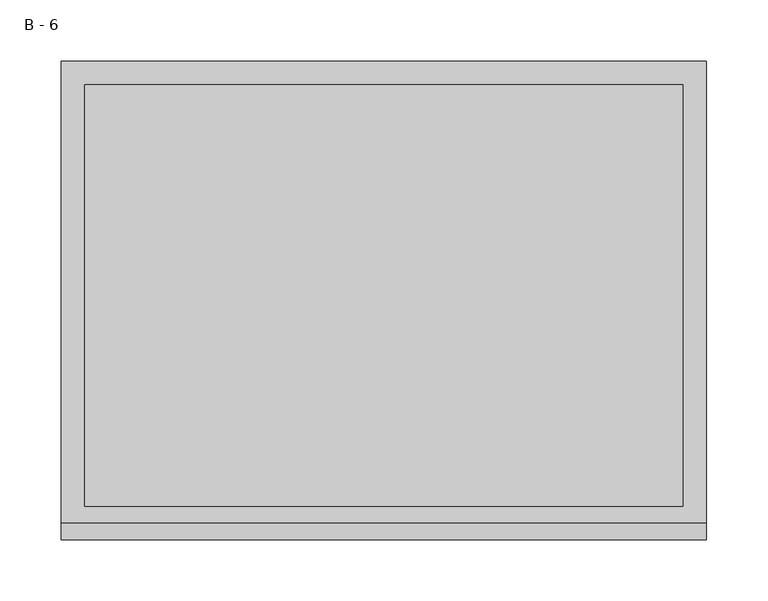
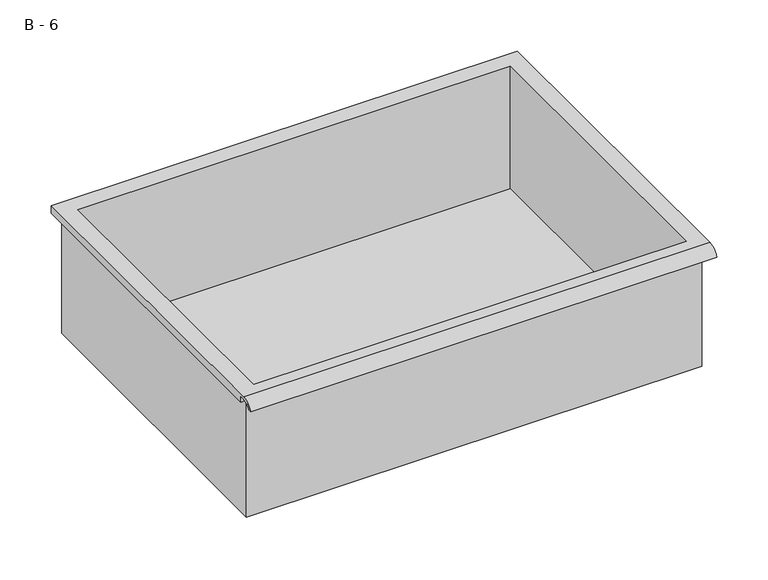
"""IFC4 building model written with IfcOpenShell, lengths in millimetres: furniture geometry, B - 6."""

from ifc_helpers import new_model, si_unit, frame, origin, place, context, project, spatial, polyline, circle_curve, source, transform, mapped, element, save
from ifc_brep_helpers import plane_surface, cylinder_surface, revolved_surface, advanced_brep


def b_6_ce963fc1(model_context):
    return source(origin(), model_context, "Body", "AdvancedBrep", [
        advanced_brep(
        [(-257.1076517, -176.2125, 358.96296), (257.2423483, -176.2125, 358.96296), (257.2423483, -176.2125, 498.66296), (263.5923483, -176.2125, 498.66296), (263.5923483, -176.2125, 504.9700941), (-263.4576517, -176.2125, 504.9700941), (-263.4576517, -176.2125, 498.66296), (-257.1076517, -176.2125, 498.66296), (257.2423483, 185.7375, 358.96296), (-257.1076517, 185.7375, 358.96296), (-257.1076517, 185.7375, 498.66296), (257.2423483, 185.7375, 498.66296), (263.5923483, -181.6070544, 508.18796), (263.5923483, 195.2625, 508.18796), (-263.4576517, 195.2625, 508.18796), (-263.4576517, -181.6070544, 508.18796), (244.5423483, -168.275, 508.18796), (-244.4076517, -168.275, 508.18796), (-244.4076517, 176.2125, 508.18796), (244.5423483, 176.2125, 508.18796), (263.5923483, -195.2625, 498.66296), (263.5923483, -191.8280601, 498.66296), (263.5923483, -180.4714815, 504.9700941), (263.5923483, 195.2625, 498.66296), (-263.4576517, 195.2625, 498.66296), (-263.4576517, -180.4714815, 504.9700941), (-263.4576517, -191.8280601, 498.66296), (-263.4576517, -195.2625, 498.66296), (-244.4076517, -168.275, 361.9891319), (244.5423483, -168.275, 361.9891319), (244.5423483, 176.2125, 361.9891319), (-244.4076517, 176.2125, 361.9891319)],
        [
            (0, 1),
            (1, 2),
            (2, 3),
            (3, 4),
            (4, 5),
            (5, 6),
            (6, 7),
            (7, 0),
            (8, 9),
            (9, 10),
            (10, 11),
            (11, 8),
            (0, 9),
            (8, 1),
            (11, 2),
            (12, 13),
            (13, 14),
            (14, 15),
            (15, 12),
            (16, 17),
            (17, 18),
            (18, 19),
            (19, 16),
            (7, 10),
            (12, 20, circle_curve(frame((263.5923483, -181.6070544, 493.6369459), z_axis=(1.0, 0.0, 0.0), x_axis=(0.0, 1.0, 0.0)), 14.5510141)),
            (20, 21),
            (21, 22, circle_curve(frame((263.5923483, -181.6070544, 493.6369459), z_axis=(-1.0, 0.0, 0.0), x_axis=(0.0, 1.0, 0.0)), 11.3898979)),
            (22, 4),
            (3, 23),
            (23, 13),
            (14, 24),
            (24, 6),
            (5, 25),
            (25, 26, circle_curve(frame((-263.4576517, -181.6070544, 493.6369459), z_axis=(1.0, 0.0, 0.0), x_axis=(0.0, 1.0, 0.0)), 11.3898979)),
            (26, 27),
            (27, 15, circle_curve(frame((-263.4576517, -181.6070544, 493.6369459), z_axis=(-1.0, 0.0, 0.0), x_axis=(0.0, 1.0, 0.0)), 14.5510141)),
            (27, 20),
            (26, 21),
            (25, 22),
            (24, 23),
            (28, 29),
            (29, 30),
            (30, 31),
            (31, 28),
            (28, 17),
            (16, 29),
            (19, 30),
            (18, 31),
        ],
        [
            plane_surface(frame((257.2423483, -176.2125, 358.96296), z_axis=(0.0, -1.0, 0.0), x_axis=(1.0, 0.0, 0.0))),
            plane_surface(frame((257.2423483, 185.7375, 358.96296), z_axis=(0.0, 1.0, 0.0), x_axis=(-1.0, 0.0, 0.0))),
            plane_surface(frame((-257.1076517, -176.2125, 358.96296), z_axis=(0.0, 0.0, -1.0), x_axis=(0.0, 1.0, 0.0))),
            plane_surface(frame((257.2423483, -176.2125, 358.96296), z_axis=(1.0, 0.0, 0.0), x_axis=(0.0, 1.0, 0.0))),
            plane_surface(frame((257.2423483, -176.2125, 508.18796), z_axis=(0.0, 0.0, 1.0), x_axis=(0.0, 1.0, 0.0))),
            plane_surface(frame((-257.1076517, -176.2125, 508.18796), z_axis=(-1.0, 0.0, 0.0), x_axis=(0.0, 1.0, 0.0))),
            plane_surface(frame((263.5923483, 195.2625, 508.18796), z_axis=(1.0, 0.0, 0.0), x_axis=(0.0, -1.0, 0.0))),
            plane_surface(frame((-263.4576517, 195.2625, 508.18796), z_axis=(-1.0, 0.0, 0.0), x_axis=(0.0, 1.0, 0.0))),
            cylinder_surface(frame((-263.4576517, -181.6070544, 493.6369459), z_axis=(1.0, 0.0, 0.0), x_axis=(0.0, 1.0, 0.0)), 14.5510141),
            plane_surface(frame((263.5923483, -195.2625, 498.66296), z_axis=(0.0, -7.232115144330944e-12, -1.0), x_axis=(-1.0, 0.0, 0.0))),
            revolved_surface(polyline([(-263.4576517, -170.21715650000002, 493.6369459), (263.59234829999997, -170.21715650000002, 493.6369459)]), (-263.4576517, -181.6070544, 493.6369459), (-1.0, 0.0, 0.0)),
            plane_surface(frame((263.5923483, -180.4714815, 504.9700941), z_axis=(0.0, -1.792497400177295e-11, -1.0), x_axis=(-1.0, 0.0, 0.0))),
            plane_surface(frame((263.5923483, -176.2125, 498.66296), z_axis=(0.0, 0.0, -1.0), x_axis=(-1.0, 0.0, 0.0))),
            plane_surface(frame((263.5923483, 195.2625, 498.66296), z_axis=(0.0, 1.0, 0.0), x_axis=(-1.0, 0.0, 0.0))),
            plane_surface(frame((244.5423483, -168.275, 361.9891319), z_axis=(0.0, 0.0, 1.0), x_axis=(-1.0, 0.0, 0.0))),
            plane_surface(frame((-244.4076517, -168.275, 508.18796), z_axis=(0.0, 1.0, 0.0), x_axis=(0.0, 0.0, -1.0))),
            plane_surface(frame((244.5423483, -168.275, 508.18796), z_axis=(-1.0, 0.0, 0.0), x_axis=(0.0, 0.0, -1.0))),
            plane_surface(frame((244.5423483, 176.2125, 508.18796), z_axis=(0.0, -1.0, 0.0), x_axis=(0.0, 0.0, -1.0))),
            plane_surface(frame((-244.4076517, 176.2125, 508.18796), z_axis=(1.0, 0.0, 0.0), x_axis=(0.0, 0.0, -1.0))),
        ],
        [
            (0, [[1, 2, 3, 4, 5, 6, 7, 8]]),
            (1, [[9, 10, 11, 12]]),
            (2, [[-1, 13, -9, 14]]),
            (3, [[-14, -12, 15, -2]]),
            (4, [[16, 17, 18, 19], [20, 21, 22, 23]]),
            (5, [[-13, -8, 24, -10]]),
            (6, [[-16, 25, 26, 27, 28, -4, 29, 30]]),
            (7, [[31, 32, -6, 33, 34, 35, 36, -18]]),
            (8, [[-25, -19, -36, 37]]),
            (9, [[-26, -37, -35, 38]]),
            (10, [[-27, -38, -34, 39]]),
            (11, [[-28, -39, -33, -5]]),
            (12, [[-29, -3, -15, -11, -24, -7, -32, 40]]),
            (13, [[-30, -40, -31, -17]]),
            (14, [[41, 42, 43, 44]]),
            (15, [[-41, 45, -20, 46]]),
            (16, [[-42, -46, -23, 47]]),
            (17, [[-43, -47, -22, 48]]),
            (18, [[-44, -48, -21, -45]]),
        ],
    ),
    ])


if __name__ == "__main__":
    model = new_model("IFC4")
    model_context = context("Model", 3, world=origin())
    ifc_project = project(units=[si_unit("LENGTHUNIT", "METRE", prefix="MILLI")], contexts=[model_context])
    site = spatial("IfcSite", under=ifc_project)
    building = spatial("IfcBuilding", under=site)
    placement = place(None, origin())
    b_6_shape = b_6_ce963fc1(model_context)
    element("IfcFurniture", 1, ObjectType="B - 6", at=placement, inside=building, context=model_context, shape_type="MappedRepresentation", body=[
        mapped(b_6_shape, transform((0.0, 0.0, 0.0), x_axis=(1.0, 0.0, 0.0), y_axis=(0.0, 1.0, 0.0), z_axis=(0.0, 0.0, 1.0))),
    ])
    save(model, "model.ifc")
